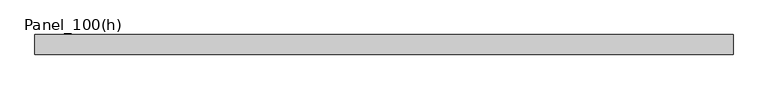
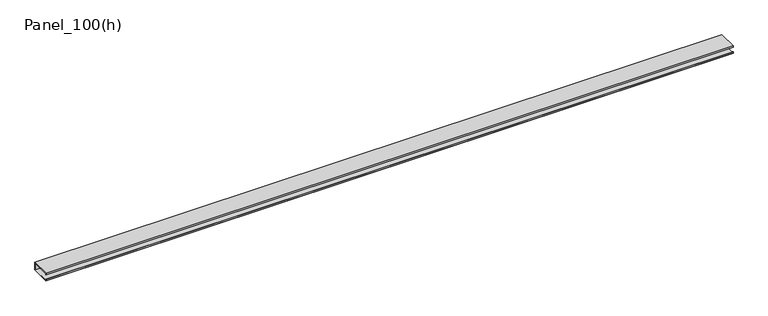
"""IFC4 building model written with IfcOpenShell, lengths in millimetres: plate geometry, Panel_100(h)."""

from ifc_helpers import new_model, si_unit, frame, origin, place, context, project, spatial, polyline, outline, extrude, source, transform, mapped, element, save


def panel_100_h_807a3740(model_context):
    return source(origin(), model_context, "Body", "SweptSolid", [
        extrude(outline(polyline([(1780.0000002, 100.0), (1780.0000002, 99.2), (-1780.0000002, 99.2), (-1780.0000002, 100.0), (1780.0000002, 100.0)])), frame((0.0, 0.0, 18.0), z_axis=(0.0, 0.0, 1.0), x_axis=(1.0, 0.0, 0.0)), (0.0, 0.0, 1.0), 34.0),
        extrude(outline(polyline([(0.0, 55.0), (100.0, 55.0), (100.0, 52.0), (99.2, 52.0), (99.2, 54.2), (0.8, 54.2), (0.8, 47.0), (0.0, 47.0), (0.0, 55.0)])), frame((-1780.0000002, 0.0, 0.0), z_axis=(1.0, 0.0, 0.0), x_axis=(0.0, 1.0, 0.0)), (0.0, 0.0, 1.0), 3560.0000003),
        extrude(outline(polyline([(0.0, 15.0), (0.0, 23.0), (0.8, 23.0), (0.8, 15.8), (99.2, 15.8), (99.2, 18.0), (100.0, 18.0), (100.0, 15.0), (0.0, 15.0)])), frame((-1780.0000002, 0.0, 0.0), z_axis=(1.0, 0.0, 0.0), x_axis=(0.0, 1.0, 0.0)), (0.0, 0.0, 1.0), 3560.0000003),
        extrude(outline(polyline([(1780.0000002, 99.2), (1780.0000002, 97.7), (-1780.0000002, 97.7), (-1780.0000002, 99.2), (1780.0000002, 99.2)])), frame((0.0, 0.0, 15.8), z_axis=(0.0, 0.0, 1.0), x_axis=(1.0, 0.0, 0.0)), (0.0, 0.0, 1.0), 38.4),
    ])


if __name__ == "__main__":
    model = new_model("IFC4")
    model_context = context("Model", 3, world=origin())
    ifc_project = project(units=[si_unit("LENGTHUNIT", "METRE", prefix="MILLI")], contexts=[model_context])
    site = spatial("IfcSite", under=ifc_project)
    building = spatial("IfcBuilding", under=site)
    placement = place(None, origin())
    panel_100_h_shape = panel_100_h_807a3740(model_context)
    element("IfcPlate", 1, ObjectType="Panel_100(h)", at=placement, inside=building, context=model_context, shape_type="MappedRepresentation", body=[
        mapped(panel_100_h_shape, transform((0.0, 0.0, 0.0), x_axis=(1.0, 0.0, 0.0), y_axis=(0.0, 1.0, 0.0), z_axis=(0.0, 0.0, 1.0))),
    ])
    save(model, "model.ifc")
